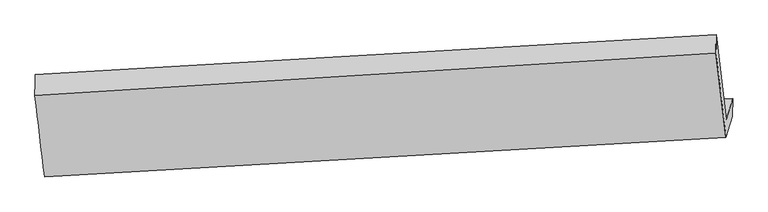
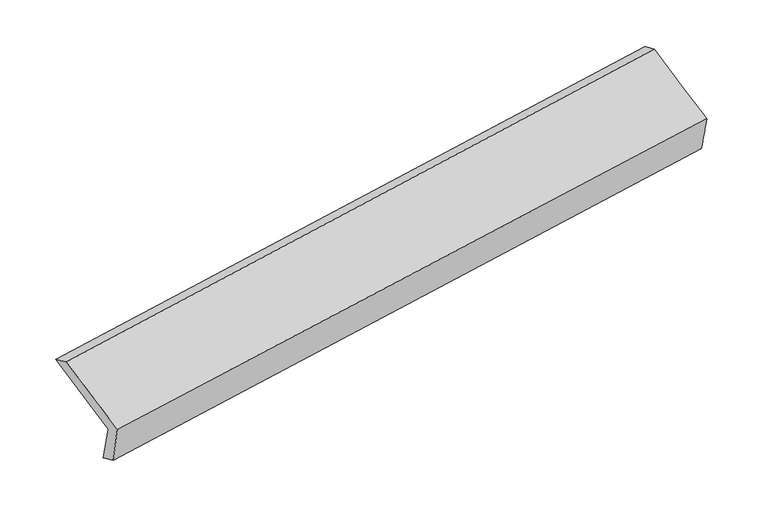
"""IFC4 building model written with IfcOpenShell, lengths in millimetres: proxy geometry."""

from ifc_helpers import new_model, si_unit, frame, origin, place, context, project, spatial, source, transform, mapped, element, save
from ifc_brep_helpers import plane_surface, spline_surface, advanced_brep


def generic_models_41e9762a(model_context):
    return source(origin(), model_context, "Body", "AdvancedBrep", [
        advanced_brep(
        [(-5287.2506197, -1686.0573845, 1183.0698122), (-5332.5980662, -1836.5303635, 1537.3320834), (-368.7712022, -1550.0687287, 2320.7904891), (-322.3695446, -1396.097641, 1958.2925337), (-5289.0345409, -1831.2681367, 1249.1100549), (-323.7346235, -1526.0825228, 2015.4736298), (-5337.7174465, -1969.8518674, 1620.8421052), (-370.4299339, -1681.028016, 2380.2656523), (-5408.6062956, -1375.3698306, 1864.2743355), (-443.5104567, -1064.639648, 2632.7220557), (-5406.0829977, -1220.2772811, 1789.6792578), (-442.1254348, -931.37179, 2574.1924222)],
        [
            (0, 1),
            (1, 2),
            (2, 3),
            (3, 0),
            (4, 0),
            (3, 5),
            (5, 4),
            (6, 4),
            (5, 7),
            (7, 6),
            (8, 6),
            (7, 9),
            (9, 8),
            (10, 8),
            (9, 11),
            (11, 10),
            (1, 10),
            (11, 2),
        ],
        [
            plane_surface(frame((-5309.9243429, -1761.293874, 1360.2009478), z_axis=(-0.11245695235195725, 0.9196736059316535, 0.3762364847012843), x_axis=(-0.11700852020960684, -0.3882604642155351, 0.9140912526249747))),
            spline_surface(1, 1, [[(-5289.0345409, -1831.2681367, 1249.1100549), (-323.7346235, -1526.0825228, 2015.4736298)], [(-5287.2506197, -1686.0573845, 1183.0698122), (-322.3695446, -1396.097641, 1958.2925337)]], [2, 2], [2, 2], [0.0, 1.0], [0.0, 1.0]),
            spline_surface(1, 1, [[(-5337.7174465, -1969.8518674, 1620.8421052), (-370.4299339, -1681.028016, 2380.2656523)], [(-5289.0345409, -1831.2681367, 1249.1100549), (-323.7346235, -1526.0825228, 2015.4736298)]], [2, 2], [2, 2], [0.0, 1.0], [0.0, 1.0]),
            spline_surface(1, 1, [[(-5408.6062956, -1375.3698306, 1864.2743355), (-443.5104567, -1064.639648, 2632.7220557)], [(-5337.7174465, -1969.8518674, 1620.8421052), (-370.4299339, -1681.028016, 2380.2656523)]], [2, 2], [2, 2], [0.0, 1.0], [0.0, 1.0]),
            spline_surface(1, 1, [[(-5406.0829977, -1220.2772811, 1789.6792578), (-442.1254348, -931.37179, 2574.1924222)], [(-5408.6062956, -1375.3698306, 1864.2743355), (-443.5104567, -1064.639648, 2632.7220557)]], [2, 2], [2, 2], [0.0, 1.0], [0.0, 1.0]),
            spline_surface(1, 1, [[(-5332.5980662, -1836.5303635, 1537.3320834), (-368.7712022, -1550.0687287, 2320.7904891)], [(-5406.0829977, -1220.2772811, 1789.6792578), (-442.1254348, -931.37179, 2574.1924222)]], [2, 2], [2, 2], [0.0, 1.0], [0.0, 1.0]),
            plane_surface(frame((-378.4901993, -1358.2147244, 2313.6227971), z_axis=(0.9871243418781129, 0.05560920537556234, 0.14997716475917675), x_axis=(0.1090620918103558, -0.9198703322776689, -0.3767546043850303))),
            plane_surface(frame((-5343.5483278, -1653.2258106, 1540.7179415), z_axis=(-0.9870552679651718, -0.05619012907614883, -0.15021507040443352), x_axis=(0.11700852020960584, 0.3882604642155379, -0.9140912526249736))),
        ],
        [
            (0, [[1, 2, 3, 4]]),
            (1, [[5, -4, 6, 7]]),
            (2, [[8, -7, 9, 10]]),
            (3, [[11, -10, 12, 13]]),
            (4, [[14, -13, 15, 16]]),
            (5, [[17, -16, 18, -2]]),
            (6, [[-12, -9, -6, -3, -18, -15]]),
            (7, [[-1, -5, -8, -11, -14, -17]]),
        ],
    ),
    ])


if __name__ == "__main__":
    model = new_model("IFC4")
    model_context = context("Model", 3, world=origin())
    ifc_project = project(units=[si_unit("LENGTHUNIT", "METRE", prefix="MILLI")], contexts=[model_context])
    site = spatial("IfcSite", under=ifc_project)
    building = spatial("IfcBuilding", under=site)
    placement = place(None, origin())
    generic_models_shape = generic_models_41e9762a(model_context)
    element("IfcBuildingElementProxy", 1, Name="Generic Models", at=placement, inside=building, context=model_context, shape_type="MappedRepresentation", body=[
        mapped(generic_models_shape, transform((0.0, 0.0, 0.0), x_axis=(1.0, 0.0, 0.0), y_axis=(0.0, 1.0, 0.0), z_axis=(0.0, 0.0, 1.0))),
    ])
    save(model, "model.ifc")
